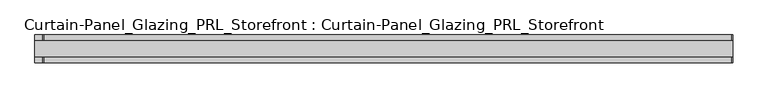
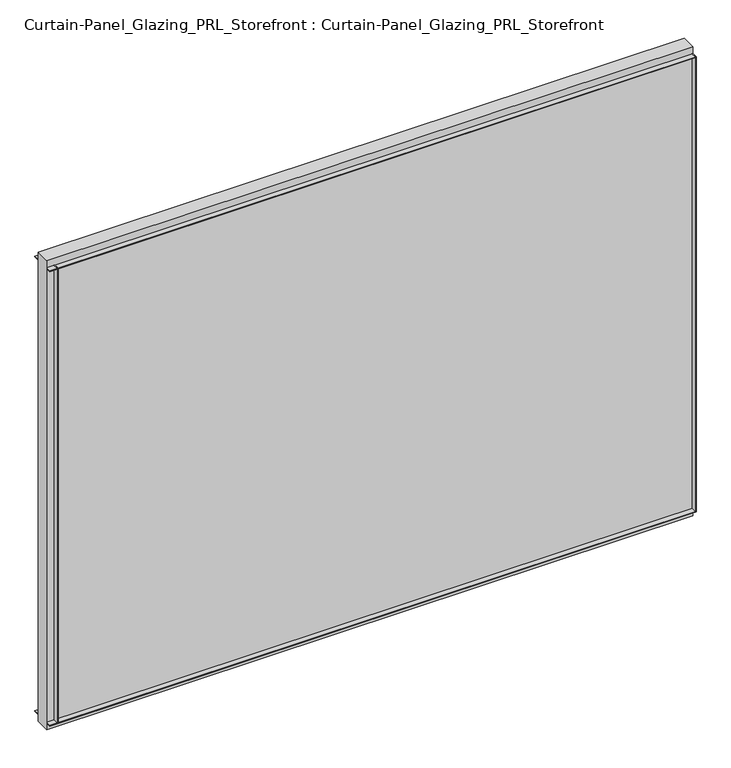
"""IFC4 building model written with IfcOpenShell, lengths in millimetres: plate geometry, Curtain-Panel_Glazing_PRL_Storefront : Curtain-Panel_Glazing_PRL_Storefront."""

from ifc_helpers import new_model, si_unit, frame, origin, origin_with_axes, place, context, project, spatial, polyline, outline, extrude, source, transform, mapped, element, save


def curtain_panel_glazing_prl_storefront_curtain_panel_glazing_d7d06e37(model_context):
    return source(origin(), model_context, "Body", "SweptSolid", [
        extrude(outline(polyline([(530.225, -22.225), (528.6375, -22.225), (528.6375, -12.7), (530.225, -12.7), (530.225, -22.225)])), frame((0.0, 0.0, 12.7), z_axis=(0.0, 0.0, 1.0), x_axis=(1.0, 0.0, 0.0)), (0.0, 0.0, 1.0), 831.85),
        extrude(outline(polyline([(530.225, 22.225), (530.225, 12.7), (528.6375, 12.7), (528.6375, 22.225), (530.225, 22.225)])), frame((0.0, 0.0, 12.7), z_axis=(0.0, 0.0, 1.0), x_axis=(1.0, 0.0, 0.0)), (0.0, 0.0, 1.0), 831.85),
        extrude(outline(polyline([(-574.675, -22.225), (-574.675, -12.7), (-573.0875, -12.7), (-573.0875, -22.225), (-574.675, -22.225)])), frame((0.0, 0.0, 12.7), z_axis=(0.0, 0.0, 1.0), x_axis=(1.0, 0.0, 0.0)), (0.0, 0.0, 1.0), 831.85),
        extrude(outline(polyline([(-574.675, 22.225), (-573.0875, 22.225), (-573.0875, 12.7), (-574.675, 12.7), (-574.675, 22.225)])), frame((0.0, 0.0, 12.7), z_axis=(0.0, 0.0, 1.0), x_axis=(1.0, 0.0, 0.0)), (0.0, 0.0, 1.0), 831.85),
        extrude(outline(polyline([(530.225, 12.7), (530.225, -12.7), (-587.375, -12.7), (-587.375, 12.7), (530.225, 12.7)])), origin_with_axes(), (0.0, 0.0, 1.0), 857.25),
        extrude(outline(polyline([(-587.375, -22.225), (-587.375, -12.7), (530.225, -12.7), (530.225, -22.225), (-587.375, -22.225)])), frame((0.0, 0.0, 842.9625), z_axis=(0.0, 0.0, 1.0), x_axis=(1.0, 0.0, 0.0)), (0.0, 0.0, 1.0), 1.5875),
        extrude(outline(polyline([(-587.375, 22.225), (530.225, 22.225), (530.225, 12.7), (-587.375, 12.7), (-587.375, 22.225)])), frame((0.0, 0.0, 842.9625), z_axis=(0.0, 0.0, 1.0), x_axis=(1.0, 0.0, 0.0)), (0.0, 0.0, 1.0), 1.5875),
        extrude(outline(polyline([(-587.375, -22.225), (-587.375, -12.7), (530.225, -12.7), (530.225, -22.225), (-587.375, -22.225)])), frame((0.0, 0.0, 12.7), z_axis=(0.0, 0.0, 1.0), x_axis=(1.0, 0.0, 0.0)), (0.0, 0.0, 1.0), 1.5875),
        extrude(outline(polyline([(-587.375, 22.225), (530.225, 22.225), (530.225, 12.7), (-587.375, 12.7), (-587.375, 22.225)])), frame((0.0, 0.0, 12.7), z_axis=(0.0, 0.0, 1.0), x_axis=(1.0, 0.0, 0.0)), (0.0, 0.0, 1.0), 1.5875),
    ])


if __name__ == "__main__":
    model = new_model("IFC4")
    model_context = context("Model", 3, world=origin())
    ifc_project = project(units=[si_unit("LENGTHUNIT", "METRE", prefix="MILLI")], contexts=[model_context])
    site = spatial("IfcSite", under=ifc_project)
    building = spatial("IfcBuilding", under=site)
    placement = place(None, origin())
    curtain_panel_glazing_prl_storefront_curtain_panel_glazing_shape = curtain_panel_glazing_prl_storefront_curtain_panel_glazing_d7d06e37(model_context)
    element("IfcPlate", 1, ObjectType="Curtain-Panel_Glazing_PRL_Storefront : Curtain-Panel_Glazing_PRL_Storefront", at=placement, inside=building, context=model_context, shape_type="MappedRepresentation", body=[
        mapped(curtain_panel_glazing_prl_storefront_curtain_panel_glazing_shape, transform((0.0, 0.0, 0.0), x_axis=(1.0, 0.0, 0.0), y_axis=(0.0, 1.0, 0.0), z_axis=(0.0, 0.0, 1.0))),
    ])
    save(model, "model.ifc")
